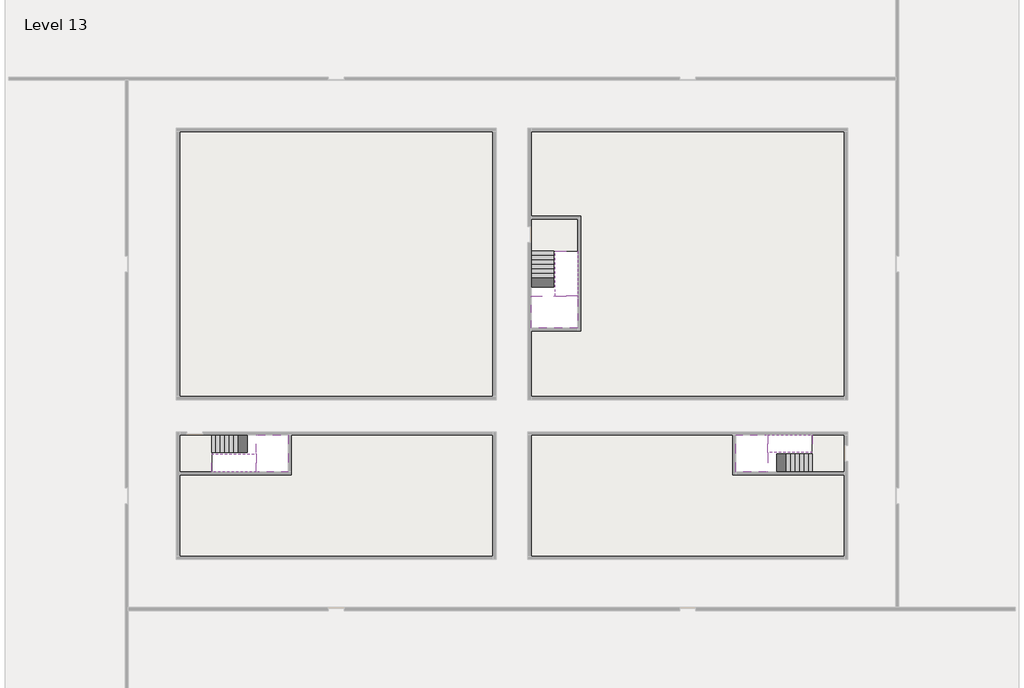
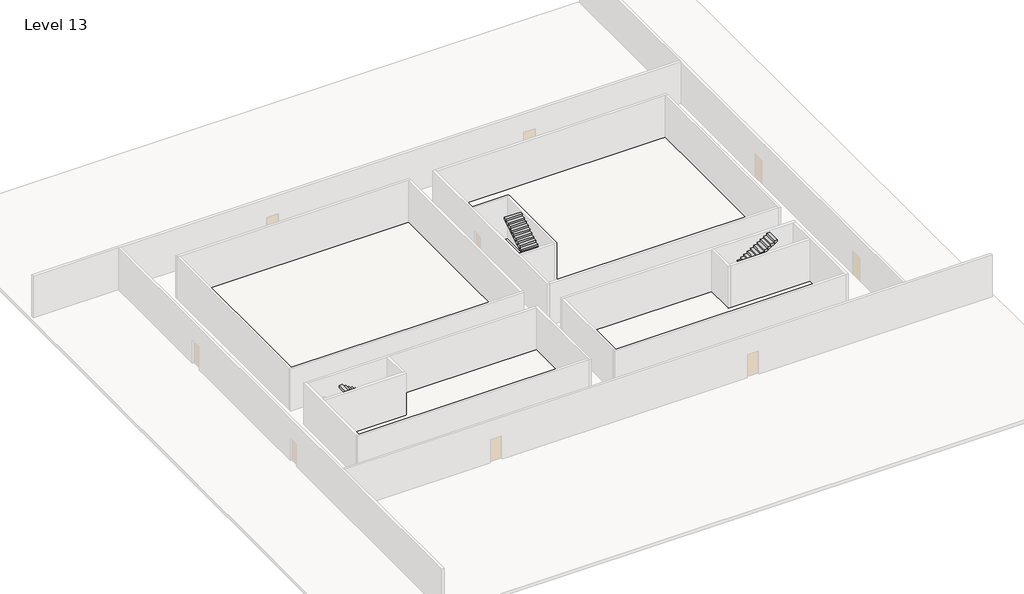
# One storey, part 2 of 2: 6 stair flights, 5 slabs.
"""IFC4 building model written with IfcOpenShell, lengths in millimetres."""

from ifc_helpers import new_model, si_unit, frame, origin, place, context, project, spatial, polyline, outline, extrude, faceted_brep, element, save

model = new_model("IFC4")

# Units and contexts
model_context = context("Model", 3, world=origin())
ifc_project = project(units=[si_unit("LENGTHUNIT", "METRE", prefix="MILLI")], contexts=[model_context])

# Site, building, storey
site = spatial("IfcSite", under=ifc_project)
building = spatial("IfcBuilding", under=site)
storey = spatial("IfcBuildingStorey", under=building, Name="Level 13", Elevation=45600.0)

# Slabs
placement = place(None, origin())
element("IfcSlab", 1, at=placement, inside=storey, context=model_context, shape_type="Brep", body=[
    faceted_brep([(8190.1058784, -42918.09644, 47500.0), (8190.1058784, -44018.09644, 47500.0), (8190.1058784, -44118.09644, 47500.0), (8190.1058784, -45218.09644, 47500.0), (8390.7194421, -45218.09644, 47500.0), (10190.1058784, -45218.09644, 47500.0), (10190.1058784, -42918.09644, 47500.0), (8269.4923146, -42918.09644, 47500.0), (8190.1058784, -42918.09644, 47327.2727273), (8190.1058784, -42918.09644, 47151.0278478), (8190.1058784, -44018.09644, 47151.0278478), (8190.1058784, -44018.09644, 47200.0), (8190.1058784, -44118.09644, 47200.0), (8190.1058784, -44118.09644, 47323.7551205), (8190.1058784, -45218.09644, 47323.7551205), (8390.7194421, -45218.09644, 47200.0), (10190.1058784, -45218.09644, 47200.0), (10190.1058784, -42918.09644, 47200.0), (8269.4923146, -42918.09644, 47200.0), (8390.7194421, -44118.09644, 47200.0), (8269.4923146, -44018.09644, 47200.0)], [[[0, 1, 2, 3, 4, 5, 6, 7]], [[1, 0, 8, 9, 10, 11]], [[2, 1, 11, 12, 13]], [[3, 2, 13, 14]], [[3, 14, 15, 16, 5, 4]], [[6, 5, 16, 17]], [[9, 8, 0, 7, 6, 17, 18]], [[19, 12, 11, 20, 18, 17, 16, 15]], [[12, 19, 13]], [[18, 20, 10, 9]], [[20, 11, 10]], [[19, 15, 14, 13]]]),
])
element("IfcSlab", 2, at=placement, inside=storey, context=model_context, shape_type="Brep", body=[
    faceted_brep([(40190.1058784, -45218.09644, 47500.0), (40190.1058784, -44118.09644, 47500.0), (40190.1058784, -44018.09644, 47500.0), (40190.1058784, -42918.09644, 47500.0), (39989.4923146, -42918.09644, 47500.0), (38190.1058784, -42918.09644, 47500.0), (38190.1058784, -45218.09644, 47500.0), (40110.7194421, -45218.09644, 47500.0), (40190.1058784, -45218.09644, 47327.2727273), (40190.1058784, -45218.09644, 47151.0278478), (40190.1058784, -44118.09644, 47151.0278478), (40190.1058784, -44118.09644, 47200.0), (40190.1058784, -44018.09644, 47200.0), (40190.1058784, -44018.09644, 47323.7551205), (40190.1058784, -42918.09644, 47323.7551205), (39989.4923146, -42918.09644, 47200.0), (38190.1058784, -42918.09644, 47200.0), (38190.1058784, -45218.09644, 47200.0), (40110.7194421, -45218.09644, 47200.0), (39989.4923146, -44018.09644, 47200.0), (40110.7194421, -44118.09644, 47200.0)], [[[0, 1, 2, 3, 4, 5, 6, 7]], [[1, 0, 8, 9, 10, 11]], [[2, 1, 11, 12, 13]], [[3, 2, 13, 14]], [[3, 14, 15, 16, 5, 4]], [[6, 5, 16, 17]], [[9, 8, 0, 7, 6, 17, 18]], [[19, 12, 11, 20, 18, 17, 16, 15]], [[12, 19, 13]], [[18, 20, 10, 9]], [[20, 11, 10]], [[19, 15, 14, 13]]]),
])
element("IfcSlab", 3, at=placement, inside=storey, context=model_context, shape_type="Brep", body=[
    faceted_brep([(26790.1058784, -34218.09644, 47500.0), (25390.1058784, -34218.09644, 47500.0), (25390.1058784, -34297.4828763, 47500.0), (25390.1058784, -36218.09644, 47500.0), (28290.1058784, -36218.09644, 47500.0), (28290.1058784, -34418.7100038, 47500.0), (28290.1058784, -34218.09644, 47500.0), (26890.1058784, -34218.09644, 47500.0), (26790.1058784, -34218.09644, 47200.0), (26790.1058784, -34218.09644, 47151.0278478), (25390.1058784, -34218.09644, 47151.0278478), (25390.1058784, -34218.09644, 47327.2727273), (25390.1058784, -34297.4828763, 47200.0), (25390.1058784, -36218.09644, 47200.0), (28290.1058784, -36218.09644, 47200.0), (28290.1058784, -34418.7100038, 47200.0), (28290.1058784, -34218.09644, 47323.7551205), (26890.1058784, -34218.09644, 47323.7551205), (26890.1058784, -34218.09644, 47200.0), (26890.1058784, -34418.7100038, 47200.0), (26790.1058784, -34297.4828763, 47200.0)], [[[0, 1, 2, 3, 4, 5, 6, 7]], [[1, 0, 8, 9, 10, 11]], [[1, 11, 10, 12, 13, 3, 2]], [[4, 3, 13, 14]], [[4, 14, 15, 16, 6, 5]], [[7, 6, 16, 17]], [[0, 7, 17, 18, 8]], [[18, 19, 15, 14, 13, 12, 20, 8]], [[19, 18, 17]], [[20, 12, 10, 9]], [[8, 20, 9]], [[15, 19, 17, 16]]]),
])
element("IfcSlab", 4, at=placement, inside=storey, context=model_context, shape_type="SweptSolid", body=[
    extrude(outline(polyline([(22990.1058784, -23918.09644), (22990.1058784, -40518.09644), (3390.1058784, -40518.09644), (3390.1058784, -23918.09644), (22990.1058784, -23918.09644)])), frame((0.0, 0.0, 45300.0), z_axis=(0.0, 0.0, 1.0), x_axis=(1.0, 0.0, 0.0)), (0.0, 0.0, 1.0), 300.0),
    extrude(outline(polyline([(44990.1058784, -23918.09644), (44990.1058784, -40518.09644), (25390.1058784, -40518.09644), (25390.1058784, -36418.09644), (28490.1058784, -36418.09644), (28490.1058784, -29218.09644), (25390.1058784, -29218.09644), (25390.1058784, -23918.09644), (44990.1058784, -23918.09644)])), frame((0.0, 0.0, 45300.0), z_axis=(0.0, 0.0, 1.0), x_axis=(1.0, 0.0, 0.0)), (0.0, 0.0, 1.0), 300.0),
    extrude(outline(polyline([(22990.1058784, -42918.09644), (22990.1058784, -50518.09644), (3390.1058784, -50518.09644), (3390.1058784, -45418.09644), (10390.1058784, -45418.09644), (10390.1058784, -42918.09644), (22990.1058784, -42918.09644)])), frame((0.0, 0.0, 45300.0), z_axis=(0.0, 0.0, 1.0), x_axis=(1.0, 0.0, 0.0)), (0.0, 0.0, 1.0), 300.0),
    extrude(outline(polyline([(37990.1058784, -42918.09644), (37990.1058784, -45418.09644), (44990.1058784, -45418.09644), (44990.1058784, -50518.09644), (25390.1058784, -50518.09644), (25390.1058784, -42918.09644), (37990.1058784, -42918.09644)])), frame((0.0, 0.0, 45300.0), z_axis=(0.0, 0.0, 1.0), x_axis=(1.0, 0.0, 0.0)), (0.0, 0.0, 1.0), 300.0),
])
element("IfcSlab", 5, at=placement, inside=storey, context=model_context, shape_type="SweptSolid", body=[
    extrude(outline(polyline([(44990.1058784, -42918.09644), (44990.1058784, -45218.09644), (42990.1058784, -45218.09644), (42990.1058784, -42918.09644), (44990.1058784, -42918.09644)])), frame((0.0, 0.0, 45300.0), z_axis=(0.0, 0.0, 1.0), x_axis=(1.0, 0.0, 0.0)), (0.0, 0.0, 1.0), 300.0),
    extrude(outline(polyline([(5390.1058784, -42918.09644), (5390.1058784, -45218.09644), (3390.1058784, -45218.09644), (3390.1058784, -42918.09644), (5390.1058784, -42918.09644)])), frame((0.0, 0.0, 45300.0), z_axis=(0.0, 0.0, 1.0), x_axis=(1.0, 0.0, 0.0)), (0.0, 0.0, 1.0), 300.0),
    extrude(outline(polyline([(28290.1058784, -29418.09644), (28290.1058784, -31418.09644), (25390.1058784, -31418.09644), (25390.1058784, -29418.09644), (28290.1058784, -29418.09644)])), frame((0.0, 0.0, 45300.0), z_axis=(0.0, 0.0, 1.0), x_axis=(1.0, 0.0, 0.0)), (0.0, 0.0, 1.0), 300.0),
])

# Stair flights
element("IfcStairFlight", 6, at=placement, inside=storey, context=model_context, shape_type="Brep", body=[
    faceted_brep([(5670.1058784, -42918.09644, 45772.7272727), (5390.1058784, -42918.09644, 45772.7272727), (5390.1058784, -44018.09644, 45772.7272727), (5670.1058784, -44018.09644, 45772.7272727), (5670.1058784, -42918.09644, 45600.0), (5390.1058784, -42918.09644, 45600.0), (5390.1058784, -44018.09644, 45600.0), (5670.1058784, -44018.09644, 45600.0), (5950.1058784, -42918.09644, 45945.4545455), (5670.1058784, -42918.09644, 45945.4545455), (5670.1058784, -44018.09644, 45945.4545455), (5950.1058784, -44018.09644, 45945.4545455), (5950.1058784, -42918.09644, 45769.209666), (5675.8081041, -42918.09644, 45600.0), (5675.8081041, -44018.09644, 45600.0), (5950.1058784, -44018.09644, 45769.209666), (6230.1058784, -42918.09644, 46118.1818182), (5950.1058784, -42918.09644, 46118.1818182), (5950.1058784, -44018.09644, 46118.1818182), (6230.1058784, -44018.09644, 46118.1818182), (6230.1058784, -42918.09644, 45941.9369387), (6230.1058784, -44018.09644, 45941.9369387), (6510.1058784, -42918.09644, 46290.9090909), (6230.1058784, -42918.09644, 46290.9090909), (6230.1058784, -44018.09644, 46290.9090909), (6510.1058784, -44018.09644, 46290.9090909), (6510.1058784, -42918.09644, 46114.6642114), (6510.1058784, -44018.09644, 46114.6642114), (6790.1058784, -42918.09644, 46463.6363636), (6510.1058784, -42918.09644, 46463.6363636), (6510.1058784, -44018.09644, 46463.6363636), (6790.1058784, -44018.09644, 46463.6363636), (6790.1058784, -42918.09644, 46287.3914841), (6790.1058784, -44018.09644, 46287.3914841), (7070.1058784, -42918.09644, 46636.3636364), (6790.1058784, -42918.09644, 46636.3636364), (6790.1058784, -44018.09644, 46636.3636364), (7070.1058784, -44018.09644, 46636.3636364), (7070.1058784, -42918.09644, 46460.1187569), (7070.1058784, -44018.09644, 46460.1187569), (7350.1058784, -42918.09644, 46809.0909091), (7070.1058784, -42918.09644, 46809.0909091), (7070.1058784, -44018.09644, 46809.0909091), (7350.1058784, -44018.09644, 46809.0909091), (7350.1058784, -42918.09644, 46632.8460296), (7350.1058784, -44018.09644, 46632.8460296), (7630.1058784, -42918.09644, 46981.8181818), (7350.1058784, -42918.09644, 46981.8181818), (7350.1058784, -44018.09644, 46981.8181818), (7630.1058784, -44018.09644, 46981.8181818), (7630.1058784, -42918.09644, 46805.5733023), (7630.1058784, -44018.09644, 46805.5733023), (7910.1058784, -42918.09644, 47154.5454545), (7630.1058784, -42918.09644, 47154.5454545), (7630.1058784, -44018.09644, 47154.5454545), (7910.1058784, -44018.09644, 47154.5454545), (7910.1058784, -42918.09644, 46978.3005751), (7910.1058784, -44018.09644, 46978.3005751), (8190.1058784, -42918.09644, 47327.2727273), (7910.1058784, -42918.09644, 47327.2727273), (7910.1058784, -44018.09644, 47327.2727273), (8190.1058784, -44018.09644, 47327.2727273), (8190.1058784, -42918.09644, 47151.0278478), (8190.1058784, -44018.09644, 47151.0278478), (8190.1058784, -44018.09644, 47200.0)], [[[0, 1, 2, 3]], [[1, 0, 4, 5]], [[2, 1, 5, 6]], [[3, 2, 6, 7]], [[8, 9, 10, 11]], [[4, 0, 9, 8, 12, 13]], [[0, 3, 10, 9]], [[3, 7, 14, 15, 11, 10]], [[16, 17, 18, 19]], [[17, 16, 20, 12, 8]], [[8, 11, 18, 17]], [[19, 18, 11, 15, 21]], [[22, 23, 24, 25]], [[23, 22, 26, 20, 16]], [[16, 19, 24, 23]], [[25, 24, 19, 21, 27]], [[28, 29, 30, 31]], [[29, 28, 32, 26, 22]], [[22, 25, 30, 29]], [[31, 30, 25, 27, 33]], [[34, 35, 36, 37]], [[35, 34, 38, 32, 28]], [[28, 31, 36, 35]], [[37, 36, 31, 33, 39]], [[40, 41, 42, 43]], [[41, 40, 44, 38, 34]], [[34, 37, 42, 41]], [[43, 42, 37, 39, 45]], [[46, 47, 48, 49]], [[47, 46, 50, 44, 40]], [[40, 43, 48, 47]], [[49, 48, 43, 45, 51]], [[52, 53, 54, 55]], [[53, 52, 56, 50, 46]], [[46, 49, 54, 53]], [[55, 54, 49, 51, 57]], [[58, 59, 60, 61]], [[59, 58, 62, 56, 52]], [[52, 55, 60, 59]], [[61, 60, 55, 57, 63, 64]], [[58, 61, 64, 63, 62]], [[5, 4, 13, 14, 7, 6]], [[14, 13, 12, 20, 26, 32, 38, 44, 50, 56, 62, 63, 57, 51, 45, 39, 33, 27, 21, 15]]]),
])
element("IfcStairFlight", 7, at=placement, inside=storey, context=model_context, shape_type="Brep", body=[
    faceted_brep([(7910.1058784, -45218.09644, 47672.7272727), (8190.1058784, -45218.09644, 47672.7272727), (8190.1058784, -44118.09644, 47672.7272727), (7910.1058784, -44118.09644, 47672.7272727), (7910.1058784, -45218.09644, 47496.4823932), (8190.1058784, -45218.09644, 47323.7551205), (8190.1058784, -45218.09644, 47500.0), (8190.1058784, -44118.09644, 47323.7551205), (7910.1058784, -44118.09644, 47496.4823932), (7630.1058784, -45218.09644, 47845.4545455), (7910.1058784, -45218.09644, 47845.4545455), (7910.1058784, -44118.09644, 47845.4545455), (7630.1058784, -44118.09644, 47845.4545455), (7630.1058784, -45218.09644, 47669.209666), (7630.1058784, -44118.09644, 47669.209666), (7350.1058784, -45218.09644, 48018.1818182), (7630.1058784, -45218.09644, 48018.1818182), (7630.1058784, -44118.09644, 48018.1818182), (7350.1058784, -44118.09644, 48018.1818182), (7350.1058784, -45218.09644, 47841.9369387), (7350.1058784, -44118.09644, 47841.9369387), (7070.1058784, -45218.09644, 48190.9090909), (7350.1058784, -45218.09644, 48190.9090909), (7350.1058784, -44118.09644, 48190.9090909), (7070.1058784, -44118.09644, 48190.9090909), (7070.1058784, -45218.09644, 48014.6642114), (7070.1058784, -44118.09644, 48014.6642114), (6790.1058784, -45218.09644, 48363.6363636), (7070.1058784, -45218.09644, 48363.6363636), (7070.1058784, -44118.09644, 48363.6363636), (6790.1058784, -44118.09644, 48363.6363636), (6790.1058784, -45218.09644, 48187.3914841), (6790.1058784, -44118.09644, 48187.3914841), (6510.1058784, -45218.09644, 48536.3636364), (6790.1058784, -45218.09644, 48536.3636364), (6790.1058784, -44118.09644, 48536.3636364), (6510.1058784, -44118.09644, 48536.3636364), (6510.1058784, -45218.09644, 48360.1187569), (6510.1058784, -44118.09644, 48360.1187569), (6230.1058784, -45218.09644, 48709.0909091), (6510.1058784, -45218.09644, 48709.0909091), (6510.1058784, -44118.09644, 48709.0909091), (6230.1058784, -44118.09644, 48709.0909091), (6230.1058784, -45218.09644, 48532.8460296), (6230.1058784, -44118.09644, 48532.8460296), (5950.1058784, -45218.09644, 48881.8181818), (6230.1058784, -45218.09644, 48881.8181818), (6230.1058784, -44118.09644, 48881.8181818), (5950.1058784, -44118.09644, 48881.8181818), (5950.1058784, -45218.09644, 48705.5733023), (5950.1058784, -44118.09644, 48705.5733023), (5670.1058784, -45218.09644, 49054.5454545), (5950.1058784, -45218.09644, 49054.5454545), (5950.1058784, -44118.09644, 49054.5454545), (5670.1058784, -44118.09644, 49054.5454545), (5670.1058784, -45218.09644, 48878.3005751), (5670.1058784, -44118.09644, 48878.3005751), (5390.1058784, -45218.09644, 49227.2727273), (5670.1058784, -45218.09644, 49227.2727273), (5670.1058784, -44118.09644, 49227.2727273), (5390.1058784, -44118.09644, 49227.2727273), (5390.1058784, -45218.09644, 49051.0278478), (5390.1058784, -44118.09644, 49051.0278478)], [[[0, 1, 2, 3]], [[1, 0, 4, 5, 6]], [[2, 1, 6, 5, 7]], [[3, 2, 7, 8]], [[9, 10, 11, 12]], [[10, 9, 13, 4, 0]], [[11, 10, 0, 3]], [[12, 11, 3, 8, 14]], [[15, 16, 17, 18]], [[16, 15, 19, 13, 9]], [[17, 16, 9, 12]], [[18, 17, 12, 14, 20]], [[21, 22, 23, 24]], [[22, 21, 25, 19, 15]], [[23, 22, 15, 18]], [[24, 23, 18, 20, 26]], [[27, 28, 29, 30]], [[28, 27, 31, 25, 21]], [[29, 28, 21, 24]], [[30, 29, 24, 26, 32]], [[33, 34, 35, 36]], [[34, 33, 37, 31, 27]], [[35, 34, 27, 30]], [[36, 35, 30, 32, 38]], [[39, 40, 41, 42]], [[40, 39, 43, 37, 33]], [[41, 40, 33, 36]], [[42, 41, 36, 38, 44]], [[45, 46, 47, 48]], [[46, 45, 49, 43, 39]], [[47, 46, 39, 42]], [[48, 47, 42, 44, 50]], [[51, 52, 53, 54]], [[52, 51, 55, 49, 45]], [[53, 52, 45, 48]], [[54, 53, 48, 50, 56]], [[57, 58, 59, 60]], [[58, 57, 61, 55, 51]], [[59, 58, 51, 54]], [[60, 59, 54, 56, 62]], [[57, 60, 62, 61]], [[5, 4, 13, 19, 25, 31, 37, 43, 49, 55, 61, 62, 56, 50, 44, 38, 32, 26, 20, 14, 8, 7]]]),
])
element("IfcStairFlight", 8, at=placement, inside=storey, context=model_context, shape_type="Brep", body=[
    faceted_brep([(42710.1058784, -45218.09644, 45772.7272727), (42990.1058784, -45218.09644, 45772.7272727), (42990.1058784, -44118.09644, 45772.7272727), (42710.1058784, -44118.09644, 45772.7272727), (42710.1058784, -45218.09644, 45600.0), (42990.1058784, -45218.09644, 45600.0), (42990.1058784, -44118.09644, 45600.0), (42710.1058784, -44118.09644, 45600.0), (42430.1058784, -45218.09644, 45945.4545455), (42710.1058784, -45218.09644, 45945.4545455), (42710.1058784, -44118.09644, 45945.4545455), (42430.1058784, -44118.09644, 45945.4545455), (42430.1058784, -45218.09644, 45769.209666), (42704.4036527, -45218.09644, 45600.0), (42704.4036527, -44118.09644, 45600.0), (42430.1058784, -44118.09644, 45769.209666), (42150.1058784, -45218.09644, 46118.1818182), (42430.1058784, -45218.09644, 46118.1818182), (42430.1058784, -44118.09644, 46118.1818182), (42150.1058784, -44118.09644, 46118.1818182), (42150.1058784, -45218.09644, 45941.9369387), (42150.1058784, -44118.09644, 45941.9369387), (41870.1058784, -45218.09644, 46290.9090909), (42150.1058784, -45218.09644, 46290.9090909), (42150.1058784, -44118.09644, 46290.9090909), (41870.1058784, -44118.09644, 46290.9090909), (41870.1058784, -45218.09644, 46114.6642114), (41870.1058784, -44118.09644, 46114.6642114), (41590.1058784, -45218.09644, 46463.6363636), (41870.1058784, -45218.09644, 46463.6363636), (41870.1058784, -44118.09644, 46463.6363636), (41590.1058784, -44118.09644, 46463.6363636), (41590.1058784, -45218.09644, 46287.3914841), (41590.1058784, -44118.09644, 46287.3914841), (41310.1058784, -45218.09644, 46636.3636364), (41590.1058784, -45218.09644, 46636.3636364), (41590.1058784, -44118.09644, 46636.3636364), (41310.1058784, -44118.09644, 46636.3636364), (41310.1058784, -45218.09644, 46460.1187569), (41310.1058784, -44118.09644, 46460.1187569), (41030.1058784, -45218.09644, 46809.0909091), (41310.1058784, -45218.09644, 46809.0909091), (41310.1058784, -44118.09644, 46809.0909091), (41030.1058784, -44118.09644, 46809.0909091), (41030.1058784, -45218.09644, 46632.8460296), (41030.1058784, -44118.09644, 46632.8460296), (40750.1058784, -45218.09644, 46981.8181818), (41030.1058784, -45218.09644, 46981.8181818), (41030.1058784, -44118.09644, 46981.8181818), (40750.1058784, -44118.09644, 46981.8181818), (40750.1058784, -45218.09644, 46805.5733023), (40750.1058784, -44118.09644, 46805.5733023), (40470.1058784, -45218.09644, 47154.5454545), (40750.1058784, -45218.09644, 47154.5454545), (40750.1058784, -44118.09644, 47154.5454545), (40470.1058784, -44118.09644, 47154.5454545), (40470.1058784, -45218.09644, 46978.3005751), (40470.1058784, -44118.09644, 46978.3005751), (40190.1058784, -45218.09644, 47327.2727273), (40470.1058784, -45218.09644, 47327.2727273), (40470.1058784, -44118.09644, 47327.2727273), (40190.1058784, -44118.09644, 47327.2727273), (40190.1058784, -45218.09644, 47151.0278478), (40190.1058784, -44118.09644, 47151.0278478), (40190.1058784, -44118.09644, 47200.0)], [[[0, 1, 2, 3]], [[1, 0, 4, 5]], [[2, 1, 5, 6]], [[3, 2, 6, 7]], [[8, 9, 10, 11]], [[4, 0, 9, 8, 12, 13]], [[0, 3, 10, 9]], [[3, 7, 14, 15, 11, 10]], [[16, 17, 18, 19]], [[17, 16, 20, 12, 8]], [[8, 11, 18, 17]], [[19, 18, 11, 15, 21]], [[22, 23, 24, 25]], [[23, 22, 26, 20, 16]], [[16, 19, 24, 23]], [[25, 24, 19, 21, 27]], [[28, 29, 30, 31]], [[29, 28, 32, 26, 22]], [[22, 25, 30, 29]], [[31, 30, 25, 27, 33]], [[34, 35, 36, 37]], [[35, 34, 38, 32, 28]], [[28, 31, 36, 35]], [[37, 36, 31, 33, 39]], [[40, 41, 42, 43]], [[41, 40, 44, 38, 34]], [[34, 37, 42, 41]], [[43, 42, 37, 39, 45]], [[46, 47, 48, 49]], [[47, 46, 50, 44, 40]], [[40, 43, 48, 47]], [[49, 48, 43, 45, 51]], [[52, 53, 54, 55]], [[53, 52, 56, 50, 46]], [[46, 49, 54, 53]], [[55, 54, 49, 51, 57]], [[58, 59, 60, 61]], [[59, 58, 62, 56, 52]], [[52, 55, 60, 59]], [[61, 60, 55, 57, 63, 64]], [[58, 61, 64, 63, 62]], [[5, 4, 13, 14, 7, 6]], [[14, 13, 12, 20, 26, 32, 38, 44, 50, 56, 62, 63, 57, 51, 45, 39, 33, 27, 21, 15]]]),
])
element("IfcStairFlight", 9, at=placement, inside=storey, context=model_context, shape_type="Brep", body=[
    faceted_brep([(40470.1058784, -42918.09644, 47672.7272727), (40190.1058784, -42918.09644, 47672.7272727), (40190.1058784, -44018.09644, 47672.7272727), (40470.1058784, -44018.09644, 47672.7272727), (40470.1058784, -42918.09644, 47496.4823932), (40190.1058784, -42918.09644, 47323.7551205), (40190.1058784, -42918.09644, 47500.0), (40190.1058784, -44018.09644, 47323.7551205), (40470.1058784, -44018.09644, 47496.4823932), (40750.1058784, -42918.09644, 47845.4545455), (40470.1058784, -42918.09644, 47845.4545455), (40470.1058784, -44018.09644, 47845.4545455), (40750.1058784, -44018.09644, 47845.4545455), (40750.1058784, -42918.09644, 47669.209666), (40750.1058784, -44018.09644, 47669.209666), (41030.1058784, -42918.09644, 48018.1818182), (40750.1058784, -42918.09644, 48018.1818182), (40750.1058784, -44018.09644, 48018.1818182), (41030.1058784, -44018.09644, 48018.1818182), (41030.1058784, -42918.09644, 47841.9369387), (41030.1058784, -44018.09644, 47841.9369387), (41310.1058784, -42918.09644, 48190.9090909), (41030.1058784, -42918.09644, 48190.9090909), (41030.1058784, -44018.09644, 48190.9090909), (41310.1058784, -44018.09644, 48190.9090909), (41310.1058784, -42918.09644, 48014.6642114), (41310.1058784, -44018.09644, 48014.6642114), (41590.1058784, -42918.09644, 48363.6363636), (41310.1058784, -42918.09644, 48363.6363636), (41310.1058784, -44018.09644, 48363.6363636), (41590.1058784, -44018.09644, 48363.6363636), (41590.1058784, -42918.09644, 48187.3914841), (41590.1058784, -44018.09644, 48187.3914841), (41870.1058784, -42918.09644, 48536.3636364), (41590.1058784, -42918.09644, 48536.3636364), (41590.1058784, -44018.09644, 48536.3636364), (41870.1058784, -44018.09644, 48536.3636364), (41870.1058784, -42918.09644, 48360.1187569), (41870.1058784, -44018.09644, 48360.1187569), (42150.1058784, -42918.09644, 48709.0909091), (41870.1058784, -42918.09644, 48709.0909091), (41870.1058784, -44018.09644, 48709.0909091), (42150.1058784, -44018.09644, 48709.0909091), (42150.1058784, -42918.09644, 48532.8460296), (42150.1058784, -44018.09644, 48532.8460296), (42430.1058784, -42918.09644, 48881.8181818), (42150.1058784, -42918.09644, 48881.8181818), (42150.1058784, -44018.09644, 48881.8181818), (42430.1058784, -44018.09644, 48881.8181818), (42430.1058784, -42918.09644, 48705.5733023), (42430.1058784, -44018.09644, 48705.5733023), (42710.1058784, -42918.09644, 49054.5454545), (42430.1058784, -42918.09644, 49054.5454545), (42430.1058784, -44018.09644, 49054.5454545), (42710.1058784, -44018.09644, 49054.5454545), (42710.1058784, -42918.09644, 48878.3005751), (42710.1058784, -44018.09644, 48878.3005751), (42990.1058784, -42918.09644, 49227.2727273), (42710.1058784, -42918.09644, 49227.2727273), (42710.1058784, -44018.09644, 49227.2727273), (42990.1058784, -44018.09644, 49227.2727273), (42990.1058784, -42918.09644, 49051.0278478), (42990.1058784, -44018.09644, 49051.0278478)], [[[0, 1, 2, 3]], [[1, 0, 4, 5, 6]], [[2, 1, 6, 5, 7]], [[3, 2, 7, 8]], [[9, 10, 11, 12]], [[10, 9, 13, 4, 0]], [[11, 10, 0, 3]], [[12, 11, 3, 8, 14]], [[15, 16, 17, 18]], [[16, 15, 19, 13, 9]], [[17, 16, 9, 12]], [[18, 17, 12, 14, 20]], [[21, 22, 23, 24]], [[22, 21, 25, 19, 15]], [[23, 22, 15, 18]], [[24, 23, 18, 20, 26]], [[27, 28, 29, 30]], [[28, 27, 31, 25, 21]], [[29, 28, 21, 24]], [[30, 29, 24, 26, 32]], [[33, 34, 35, 36]], [[34, 33, 37, 31, 27]], [[35, 34, 27, 30]], [[36, 35, 30, 32, 38]], [[39, 40, 41, 42]], [[40, 39, 43, 37, 33]], [[41, 40, 33, 36]], [[42, 41, 36, 38, 44]], [[45, 46, 47, 48]], [[46, 45, 49, 43, 39]], [[47, 46, 39, 42]], [[48, 47, 42, 44, 50]], [[51, 52, 53, 54]], [[52, 51, 55, 49, 45]], [[53, 52, 45, 48]], [[54, 53, 48, 50, 56]], [[57, 58, 59, 60]], [[58, 57, 61, 55, 51]], [[59, 58, 51, 54]], [[60, 59, 54, 56, 62]], [[57, 60, 62, 61]], [[5, 4, 13, 19, 25, 31, 37, 43, 49, 55, 61, 62, 56, 50, 44, 38, 32, 26, 20, 14, 8, 7]]]),
])
element("IfcStairFlight", 10, at=placement, inside=storey, context=model_context, shape_type="Brep", body=[
    faceted_brep([(26790.1058784, -31698.09644, 45772.7272727), (26790.1058784, -31418.09644, 45772.7272727), (25390.1058784, -31418.09644, 45772.7272727), (25390.1058784, -31698.09644, 45772.7272727), (26790.1058784, -31698.09644, 45600.0), (26790.1058784, -31418.09644, 45600.0), (25390.1058784, -31418.09644, 45600.0), (25390.1058784, -31698.09644, 45600.0), (26790.1058784, -31978.09644, 45945.4545455), (26790.1058784, -31698.09644, 45945.4545455), (25390.1058784, -31698.09644, 45945.4545455), (25390.1058784, -31978.09644, 45945.4545455), (26790.1058784, -31978.09644, 45769.209666), (26790.1058784, -31703.7986657, 45600.0), (25390.1058784, -31703.7986657, 45600.0), (25390.1058784, -31978.09644, 45769.209666), (26790.1058784, -32258.09644, 46118.1818182), (26790.1058784, -31978.09644, 46118.1818182), (25390.1058784, -31978.09644, 46118.1818182), (25390.1058784, -32258.09644, 46118.1818182), (26790.1058784, -32258.09644, 45941.9369387), (25390.1058784, -32258.09644, 45941.9369387), (26790.1058784, -32538.09644, 46290.9090909), (26790.1058784, -32258.09644, 46290.9090909), (25390.1058784, -32258.09644, 46290.9090909), (25390.1058784, -32538.09644, 46290.9090909), (26790.1058784, -32538.09644, 46114.6642114), (25390.1058784, -32538.09644, 46114.6642114), (26790.1058784, -32818.09644, 46463.6363636), (26790.1058784, -32538.09644, 46463.6363636), (25390.1058784, -32538.09644, 46463.6363636), (25390.1058784, -32818.09644, 46463.6363636), (26790.1058784, -32818.09644, 46287.3914841), (25390.1058784, -32818.09644, 46287.3914841), (26790.1058784, -33098.09644, 46636.3636364), (26790.1058784, -32818.09644, 46636.3636364), (25390.1058784, -32818.09644, 46636.3636364), (25390.1058784, -33098.09644, 46636.3636364), (26790.1058784, -33098.09644, 46460.1187569), (25390.1058784, -33098.09644, 46460.1187569), (26790.1058784, -33378.09644, 46809.0909091), (26790.1058784, -33098.09644, 46809.0909091), (25390.1058784, -33098.09644, 46809.0909091), (25390.1058784, -33378.09644, 46809.0909091), (26790.1058784, -33378.09644, 46632.8460296), (25390.1058784, -33378.09644, 46632.8460296), (26790.1058784, -33658.09644, 46981.8181818), (26790.1058784, -33378.09644, 46981.8181818), (25390.1058784, -33378.09644, 46981.8181818), (25390.1058784, -33658.09644, 46981.8181818), (26790.1058784, -33658.09644, 46805.5733023), (25390.1058784, -33658.09644, 46805.5733023), (26790.1058784, -33938.09644, 47154.5454545), (26790.1058784, -33658.09644, 47154.5454545), (25390.1058784, -33658.09644, 47154.5454545), (25390.1058784, -33938.09644, 47154.5454545), (26790.1058784, -33938.09644, 46978.3005751), (25390.1058784, -33938.09644, 46978.3005751), (26790.1058784, -34218.09644, 47327.2727273), (26790.1058784, -33938.09644, 47327.2727273), (25390.1058784, -33938.09644, 47327.2727273), (25390.1058784, -34218.09644, 47327.2727273), (26790.1058784, -34218.09644, 47200.0), (26790.1058784, -34218.09644, 47151.0278478), (25390.1058784, -34218.09644, 47151.0278478)], [[[0, 1, 2, 3]], [[1, 0, 4, 5]], [[2, 1, 5, 6]], [[3, 2, 6, 7]], [[8, 9, 10, 11]], [[4, 0, 9, 8, 12, 13]], [[0, 3, 10, 9]], [[3, 7, 14, 15, 11, 10]], [[16, 17, 18, 19]], [[17, 16, 20, 12, 8]], [[8, 11, 18, 17]], [[19, 18, 11, 15, 21]], [[22, 23, 24, 25]], [[23, 22, 26, 20, 16]], [[16, 19, 24, 23]], [[25, 24, 19, 21, 27]], [[28, 29, 30, 31]], [[29, 28, 32, 26, 22]], [[22, 25, 30, 29]], [[31, 30, 25, 27, 33]], [[34, 35, 36, 37]], [[35, 34, 38, 32, 28]], [[28, 31, 36, 35]], [[37, 36, 31, 33, 39]], [[40, 41, 42, 43]], [[41, 40, 44, 38, 34]], [[34, 37, 42, 41]], [[43, 42, 37, 39, 45]], [[46, 47, 48, 49]], [[47, 46, 50, 44, 40]], [[40, 43, 48, 47]], [[49, 48, 43, 45, 51]], [[52, 53, 54, 55]], [[53, 52, 56, 50, 46]], [[46, 49, 54, 53]], [[55, 54, 49, 51, 57]], [[58, 59, 60, 61]], [[59, 58, 62, 63, 56, 52]], [[52, 55, 60, 59]], [[61, 60, 55, 57, 64]], [[58, 61, 64, 63, 62]], [[5, 4, 13, 14, 7, 6]], [[14, 13, 12, 20, 26, 32, 38, 44, 50, 56, 63, 64, 57, 51, 45, 39, 33, 27, 21, 15]]]),
])
element("IfcStairFlight", 11, at=placement, inside=storey, context=model_context, shape_type="Brep", body=[
    faceted_brep([(26890.1058784, -33938.09644, 47672.7272727), (26890.1058784, -34218.09644, 47672.7272727), (28290.1058784, -34218.09644, 47672.7272727), (28290.1058784, -33938.09644, 47672.7272727), (26890.1058784, -33938.09644, 47496.4823932), (26890.1058784, -34218.09644, 47323.7551205), (28290.1058784, -34218.09644, 47323.7551205), (28290.1058784, -34218.09644, 47500.0), (28290.1058784, -33938.09644, 47496.4823932), (26890.1058784, -33658.09644, 47845.4545455), (26890.1058784, -33938.09644, 47845.4545455), (28290.1058784, -33938.09644, 47845.4545455), (28290.1058784, -33658.09644, 47845.4545455), (26890.1058784, -33658.09644, 47669.209666), (28290.1058784, -33658.09644, 47669.209666), (26890.1058784, -33378.09644, 48018.1818182), (26890.1058784, -33658.09644, 48018.1818182), (28290.1058784, -33658.09644, 48018.1818182), (28290.1058784, -33378.09644, 48018.1818182), (26890.1058784, -33378.09644, 47841.9369387), (28290.1058784, -33378.09644, 47841.9369387), (26890.1058784, -33098.09644, 48190.9090909), (26890.1058784, -33378.09644, 48190.9090909), (28290.1058784, -33378.09644, 48190.9090909), (28290.1058784, -33098.09644, 48190.9090909), (26890.1058784, -33098.09644, 48014.6642114), (28290.1058784, -33098.09644, 48014.6642114), (26890.1058784, -32818.09644, 48363.6363636), (26890.1058784, -33098.09644, 48363.6363636), (28290.1058784, -33098.09644, 48363.6363636), (28290.1058784, -32818.09644, 48363.6363636), (26890.1058784, -32818.09644, 48187.3914841), (28290.1058784, -32818.09644, 48187.3914841), (26890.1058784, -32538.09644, 48536.3636364), (26890.1058784, -32818.09644, 48536.3636364), (28290.1058784, -32818.09644, 48536.3636364), (28290.1058784, -32538.09644, 48536.3636364), (26890.1058784, -32538.09644, 48360.1187569), (28290.1058784, -32538.09644, 48360.1187569), (26890.1058784, -32258.09644, 48709.0909091), (26890.1058784, -32538.09644, 48709.0909091), (28290.1058784, -32538.09644, 48709.0909091), (28290.1058784, -32258.09644, 48709.0909091), (26890.1058784, -32258.09644, 48532.8460296), (28290.1058784, -32258.09644, 48532.8460296), (26890.1058784, -31978.09644, 48881.8181818), (26890.1058784, -32258.09644, 48881.8181818), (28290.1058784, -32258.09644, 48881.8181818), (28290.1058784, -31978.09644, 48881.8181818), (26890.1058784, -31978.09644, 48705.5733023), (28290.1058784, -31978.09644, 48705.5733023), (26890.1058784, -31698.09644, 49054.5454545), (26890.1058784, -31978.09644, 49054.5454545), (28290.1058784, -31978.09644, 49054.5454545), (28290.1058784, -31698.09644, 49054.5454545), (26890.1058784, -31698.09644, 48878.3005751), (28290.1058784, -31698.09644, 48878.3005751), (26890.1058784, -31418.09644, 49227.2727273), (26890.1058784, -31698.09644, 49227.2727273), (28290.1058784, -31698.09644, 49227.2727273), (28290.1058784, -31418.09644, 49227.2727273), (26890.1058784, -31418.09644, 49051.0278478), (28290.1058784, -31418.09644, 49051.0278478)], [[[0, 1, 2, 3]], [[1, 0, 4, 5]], [[2, 1, 5, 6, 7]], [[3, 2, 7, 6, 8]], [[9, 10, 11, 12]], [[10, 9, 13, 4, 0]], [[11, 10, 0, 3]], [[12, 11, 3, 8, 14]], [[15, 16, 17, 18]], [[16, 15, 19, 13, 9]], [[17, 16, 9, 12]], [[18, 17, 12, 14, 20]], [[21, 22, 23, 24]], [[22, 21, 25, 19, 15]], [[23, 22, 15, 18]], [[24, 23, 18, 20, 26]], [[27, 28, 29, 30]], [[28, 27, 31, 25, 21]], [[29, 28, 21, 24]], [[30, 29, 24, 26, 32]], [[33, 34, 35, 36]], [[34, 33, 37, 31, 27]], [[35, 34, 27, 30]], [[36, 35, 30, 32, 38]], [[39, 40, 41, 42]], [[40, 39, 43, 37, 33]], [[41, 40, 33, 36]], [[42, 41, 36, 38, 44]], [[45, 46, 47, 48]], [[46, 45, 49, 43, 39]], [[47, 46, 39, 42]], [[48, 47, 42, 44, 50]], [[51, 52, 53, 54]], [[52, 51, 55, 49, 45]], [[53, 52, 45, 48]], [[54, 53, 48, 50, 56]], [[57, 58, 59, 60]], [[58, 57, 61, 55, 51]], [[59, 58, 51, 54]], [[60, 59, 54, 56, 62]], [[57, 60, 62, 61]], [[5, 4, 13, 19, 25, 31, 37, 43, 49, 55, 61, 62, 56, 50, 44, 38, 32, 26, 20, 14, 8, 6]]]),
])

save(model, "model.ifc")
